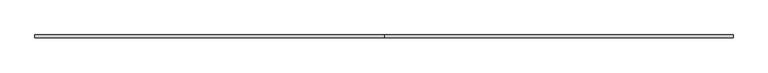
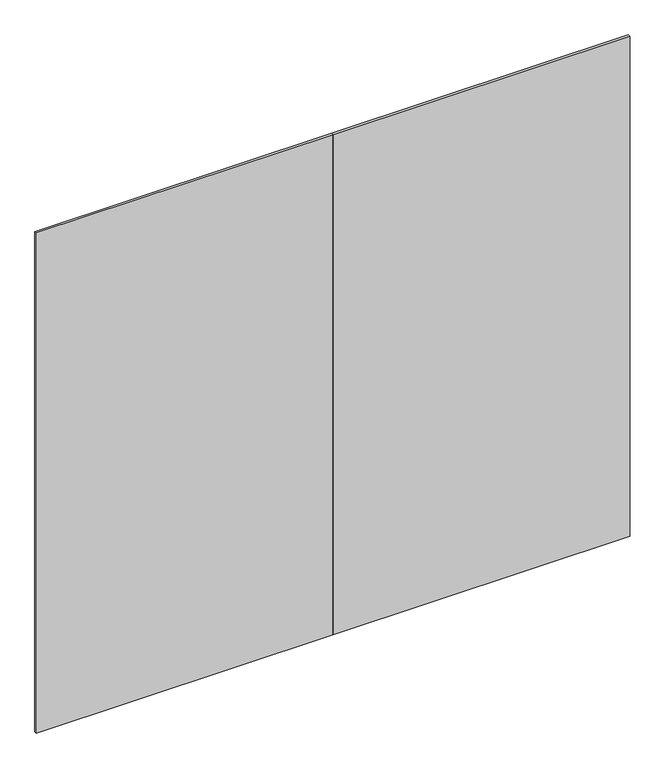
"""IFC4 building model written with IfcOpenShell, lengths in millimetres: furniture geometry."""

from ifc_helpers import new_model, si_unit, frame, origin, place, context, project, spatial, polyline, outline, extrude, source, transform, mapped, element, save


def furniture_b5cc0a4d(model_context):
    return source(origin(), model_context, "Body", "SweptSolid", [
        extrude(outline(polyline([(0.0, -4.7752), (0.0, 4.7498), (1220.47, 4.7498), (1220.47, -4.7752), (0.0, -4.7752)])), frame((0.0, 0.0, 12.7), z_axis=(0.0, 0.0, 1.0), x_axis=(1.0, 0.0, 0.0)), (0.0, 0.0, 1.0), 2173.6010468),
        extrude(outline(polyline([(1220.47, -4.7752), (1220.47, 4.7498), (2440.94, 4.7498), (2440.94, -4.7752), (1220.47, -4.7752)])), frame((0.0, 0.0, 12.7), z_axis=(0.0, 0.0, 1.0), x_axis=(1.0, 0.0, 0.0)), (0.0, 0.0, 1.0), 2173.6010468),
    ])


if __name__ == "__main__":
    model = new_model("IFC4")
    model_context = context("Model", 3, world=origin())
    ifc_project = project(units=[si_unit("LENGTHUNIT", "METRE", prefix="MILLI")], contexts=[model_context])
    site = spatial("IfcSite", under=ifc_project)
    building = spatial("IfcBuilding", under=site)
    placement = place(None, origin())
    furniture_shape = furniture_b5cc0a4d(model_context)
    element("IfcFurniture", 1, at=placement, inside=building, context=model_context, shape_type="MappedRepresentation", body=[
        mapped(furniture_shape, transform((0.0, 0.0, 0.0), x_axis=(1.0, 0.0, 0.0), y_axis=(0.0, 1.0, 0.0), z_axis=(0.0, 0.0, 1.0))),
    ])
    save(model, "model.ifc")
